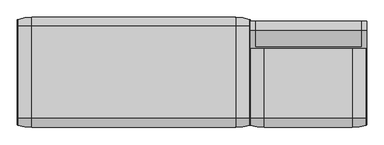
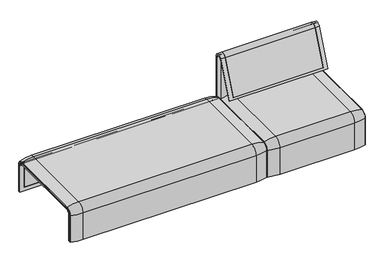
"""IFC4 building model written with IfcOpenShell, lengths in millimetres: furniture geometry."""

from ifc_helpers import new_model, si_unit, point, frame, frame_2d, origin, place, context, project, spatial, polyline, circle_curve, ellipse_curve, trimmed, segment, composite_curve, outline, extrude, source, transform, mapped, element, save
from ifc_brep_helpers import plane_surface, cylinder_surface, revolved_surface, advanced_brep


def furniture_c3b00f52(model_context):
    return source(origin(), model_context, "Body", "SolidModel", [
        advanced_brep(
        [(-1223.9718733, 323.7517936, 359.922434), (-1223.9718733, -323.7517936, 359.922434), (-1223.9718733, -351.0, 332.6742277), (-1223.9718733, -351.0, 100.5089435), (-1223.9718733, -357.5, 100.5089435), (-1223.9718733, -357.5, 333.0583003), (-1223.9718733, -324.3858663, 366.172434), (-1223.9718733, 324.3858663, 366.172434), (-1223.9718733, 357.5, 333.0583003), (-1223.9718733, 357.5, 100.5089435), (-1223.9718733, 351.0, 100.5089435), (-1223.9718733, 351.0, 332.6742277), (407.9906244, 323.7517936, 359.922434), (407.9906244, 351.0, 332.6742277), (407.9906244, 351.0, 100.5089435), (407.9906244, 357.5, 100.5089435), (407.9906244, 357.5, 333.0583003), (407.9906244, 324.3858663, 366.172434), (407.9906244, -324.3858663, 366.172434), (407.9906244, -357.5, 333.0583003), (407.9906244, -357.5, 100.5089435), (407.9906244, -351.0, 100.5089435), (407.9906244, -351.0, 332.6742277), (407.9906244, -323.7517936, 359.922434), (-1189.0718733, -324.3858663, 366.172434), (-1189.0718733, 324.3858663, 366.172434), (373.0906244, 324.3858663, 366.172434), (373.0906244, -324.3858663, 366.172434), (-1189.0718733, -357.5, 333.0583003), (373.0906244, -357.5, 333.0583003), (373.0906244, -357.5, 135.3766997), (-1189.0718733, -357.5, 135.3766997), (-1189.0718733, -351.0, 332.6742277), (-1189.0718733, -351.0, 135.3766997), (373.0906244, -351.0, 135.3766997), (373.0906244, -351.0, 332.6742277), (-1189.0718733, -323.7517936, 359.922434), (373.0906244, -323.7517936, 359.922434), (-1189.0718733, 323.7517936, 359.922434), (373.0906244, 323.7517936, 359.922434), (-1189.0718733, 357.5, 333.0583003), (373.0906244, 357.5, 333.0583003), (-1189.0718733, 357.5, 135.3766997), (373.0906244, 357.5, 135.3766997), (373.0906244, 351.0, 332.6742277), (373.0906244, 351.0, 135.3766997), (-1189.0718733, 351.0, 135.3766997), (-1189.0718733, 351.0, 332.6742277)],
        [
            (0, 1),
            (1, 2, circle_curve(frame((-1223.9718733, -323.7517936, 332.6742277), z_axis=(1.0, 0.0, 0.0), x_axis=(0.0, -1.0, 0.0)), 27.2482064)),
            (2, 3),
            (3, 4),
            (4, 5),
            (5, 6, circle_curve(frame((-1223.9718733, -324.3858663, 333.0583003), z_axis=(-1.0, 0.0, 0.0), x_axis=(0.0, -1.0, 0.0)), 33.1141337)),
            (6, 7),
            (7, 8, circle_curve(frame((-1223.9718733, 324.3858663, 333.0583003), z_axis=(-1.0, 0.0, 0.0), x_axis=(0.0, 1.0, 0.0)), 33.1141337)),
            (8, 9),
            (9, 10),
            (10, 11),
            (11, 0, circle_curve(frame((-1223.9718733, 323.7517936, 332.6742277), z_axis=(1.0, 0.0, 0.0), x_axis=(0.0, 1.0, 0.0)), 27.2482064)),
            (12, 13, circle_curve(frame((407.9906244, 323.7517936, 332.6742277), z_axis=(-1.0, 0.0, 0.0), x_axis=(0.0, 1.0, 0.0)), 27.2482064)),
            (13, 14),
            (14, 15),
            (15, 16),
            (16, 17, circle_curve(frame((407.9906244, 324.3858663, 333.0583003), z_axis=(1.0, 0.0, 0.0), x_axis=(0.0, 1.0, 0.0)), 33.1141337)),
            (17, 18),
            (18, 19, circle_curve(frame((407.9906244, -324.3858663, 333.0583003), z_axis=(1.0, 0.0, 0.0), x_axis=(0.0, -1.0, 0.0)), 33.1141337)),
            (19, 20),
            (20, 21),
            (21, 22),
            (22, 23, circle_curve(frame((407.9906244, -323.7517936, 332.6742277), z_axis=(-1.0, 0.0, 0.0), x_axis=(0.0, -1.0, 0.0)), 27.2482064)),
            (23, 12),
            (6, 24),
            (24, 25),
            (25, 7),
            (17, 26),
            (26, 27),
            (27, 18),
            (5, 28),
            (28, 24, circle_curve(frame((-1189.0718733, -324.3858663, 333.0583003), z_axis=(-1.0, 0.0, 0.0), x_axis=(0.0, -1.0, 0.0)), 33.1141337)),
            (27, 29, circle_curve(frame((373.0906244, -324.3858663, 333.0583003), z_axis=(1.0, 0.0, 0.0), x_axis=(0.0, -1.0, 0.0)), 33.1141337)),
            (29, 19),
            (4, 20),
            (29, 30),
            (30, 31),
            (31, 28),
            (3, 21),
            (2, 32),
            (32, 33),
            (33, 34),
            (34, 35),
            (35, 22),
            (1, 36),
            (36, 32, circle_curve(frame((-1189.0718733, -323.7517936, 332.6742277), z_axis=(1.0, 0.0, 0.0), x_axis=(0.0, -1.0, 0.0)), 27.2482064)),
            (35, 37, circle_curve(frame((373.0906244, -323.7517936, 332.6742277), z_axis=(-1.0, 0.0, 0.0), x_axis=(0.0, -1.0, 0.0)), 27.2482064)),
            (37, 23),
            (0, 38),
            (38, 36),
            (37, 39),
            (39, 12),
            (25, 40, circle_curve(frame((-1189.0718733, 324.3858663, 333.0583003), z_axis=(-1.0, 0.0, 0.0), x_axis=(0.0, 1.0, 0.0)), 33.1141337)),
            (40, 8),
            (16, 41),
            (41, 26, circle_curve(frame((373.0906244, 324.3858663, 333.0583003), z_axis=(1.0, 0.0, 0.0), x_axis=(0.0, 1.0, 0.0)), 33.1141337)),
            (40, 42),
            (42, 43),
            (43, 41),
            (15, 9),
            (14, 10),
            (13, 44),
            (44, 45),
            (45, 46),
            (46, 47),
            (47, 11),
            (47, 38, circle_curve(frame((-1189.0718733, 323.7517936, 332.6742277), z_axis=(1.0, 0.0, 0.0), x_axis=(0.0, 1.0, 0.0)), 27.2482064)),
            (39, 44, circle_curve(frame((373.0906244, 323.7517936, 332.6742277), z_axis=(-1.0, 0.0, 0.0), x_axis=(0.0, 1.0, 0.0)), 27.2482064)),
            (46, 42),
            (31, 33),
            (34, 30),
            (43, 45),
        ],
        [
            plane_surface(frame((-1223.9718733, -296.9265415, 359.922434), z_axis=(-1.0, 0.0, 0.0), x_axis=(0.0, -1.0, 0.0))),
            plane_surface(frame((407.9906244, -296.9265415, 359.922434), z_axis=(1.0, 0.0, 0.0), x_axis=(0.0, 1.0, 0.0))),
            plane_surface(frame((-1223.9718733, -324.3858663, 366.172434), z_axis=(0.0, 0.0, 1.0), x_axis=(1.0, 0.0, 0.0))),
            cylinder_surface(frame((407.9906244, -324.3858663, 333.0583003), z_axis=(-1.0, 0.0, 0.0), x_axis=(0.0, -1.0, 0.0)), 33.1141337),
            plane_surface(frame((-1223.9718733, -357.5, 100.5089435), z_axis=(0.0, -1.0, 0.0), x_axis=(1.0, 0.0, 0.0))),
            plane_surface(frame((-1223.9718733, -351.0, 100.5089435), z_axis=(0.0, 0.0, -1.0), x_axis=(1.0, 0.0, 0.0))),
            plane_surface(frame((-1223.9718733, -351.0, 332.6742277), z_axis=(0.0, 1.0, 0.0), x_axis=(1.0, 0.0, 0.0))),
            revolved_surface(polyline([(-1189.0718733000003, -351.0, 332.6742277), (-1223.9718733, -351.0, 332.6742277)]), (407.9906244, -323.7517936, 332.6742277), (1.0, 0.0, 0.0)),
            revolved_surface(polyline([(407.9906244, -351.0, 332.6742277), (373.0906244, -351.0, 332.6742277)]), (407.9906244, -323.7517936, 332.6742277), (1.0, 0.0, 0.0)),
            plane_surface(frame((-1223.9718733, 323.7517936, 359.922434), z_axis=(0.0, 0.0, -1.0), x_axis=(1.0, 0.0, 0.0))),
            cylinder_surface(frame((407.9906244, 324.3858663, 333.0583003), z_axis=(-1.0, 0.0, 0.0), x_axis=(0.0, 1.0, 0.0)), 33.1141337),
            plane_surface(frame((-1223.9718733, 357.5, 333.0583003), z_axis=(0.0, 1.0, 0.0), x_axis=(1.0, 0.0, 0.0))),
            plane_surface(frame((-1223.9718733, 357.5, 100.5089435), z_axis=(0.0, 0.0, -1.0), x_axis=(1.0, 0.0, 0.0))),
            plane_surface(frame((-1223.9718733, 351.0, 100.5089435), z_axis=(0.0, -1.0, 0.0), x_axis=(1.0, 0.0, 0.0))),
            revolved_surface(polyline([(-1189.0718733000003, 351.0, 332.6742277), (-1223.9718733, 351.0, 332.6742277)]), (407.9906244, 323.7517936, 332.6742277), (1.0, 0.0, 0.0)),
            revolved_surface(polyline([(407.9906244, 351.0, 332.6742277), (373.0906244, 351.0, 332.6742277)]), (407.9906244, 323.7517936, 332.6742277), (1.0, 0.0, 0.0)),
            plane_surface(frame((-1189.0718733, -296.9265415, 359.922434), z_axis=(1.0, 0.0, 0.0), x_axis=(0.0, -1.0, 0.0))),
            plane_surface(frame((373.0906244, -296.9265415, 359.922434), z_axis=(-1.0, 0.0, 0.0), x_axis=(0.0, 1.0, 0.0))),
            plane_surface(frame((-1189.0718733, -351.0, 135.3766997), z_axis=(0.0, 0.0, 1.0), x_axis=(1.0, 0.0, 0.0))),
            plane_surface(frame((-1189.0718733, 357.5, 135.3766997), z_axis=(0.0, 0.0, 1.0), x_axis=(1.0, 0.0, 0.0))),
        ],
        [
            (0, [[1, 2, 3, 4, 5, 6, 7, 8, 9, 10, 11, 12]]),
            (1, [[13, 14, 15, 16, 17, 18, 19, 20, 21, 22, 23, 24]]),
            (2, [[-7, 25, 26, 27]]),
            (2, [[-18, 28, 29, 30]]),
            (3, [[-6, 31, 32, -25]]),
            (3, [[-19, -30, 33, 34]]),
            (4, [[-5, 35, -20, -34, 36, 37, 38, -31]]),
            (5, [[-4, 39, -21, -35]]),
            (6, [[-3, 40, 41, 42, 43, 44, -22, -39]]),
            (7, [[-2, 45, 46, -40]]),
            (8, [[-23, -44, 47, 48]]),
            (9, [[-1, 49, 50, -45]]),
            (9, [[-24, -48, 51, 52]]),
            (10, [[-8, -27, 53, 54]]),
            (10, [[-17, 55, 56, -28]]),
            (11, [[-9, -54, 57, 58, 59, -55, -16, 60]]),
            (12, [[-10, -60, -15, 61]]),
            (13, [[-11, -61, -14, 62, 63, 64, 65, 66]]),
            (14, [[-12, -66, 67, -49]]),
            (15, [[-13, -52, 68, -62]]),
            (16, [[69, -57, -53, -26, -32, -38, 70, -41, -46, -50, -67, -65]]),
            (17, [[71, -36, -33, -29, -56, -59, 72, -63, -68, -51, -47, -43]]),
            (18, [[-70, -37, -71, -42]]),
            (19, [[-69, -64, -72, -58]]),
        ],
    ),
        extrude(outline(composite_curve([segment(polyline([(323.7517936, 359.922434), (-323.7517936, 359.922434)]), True, "CONTINUOUS"), segment(trimmed(circle_curve(frame_2d((-323.7517936, 332.6742277)), 27.2482064), [point((-323.7517936, 359.922434))], [point((-351.0, 332.6742277))], True, "CARTESIAN"), True, "CONTINUOUS"), segment(polyline([(-351.0, 332.6742277), (-351.0, 135.3766997), (-357.5, 135.3766997), (-357.5, 333.0583003)]), True, "CONTINUOUS"), segment(trimmed(circle_curve(frame_2d((-324.3858663, 333.0583003)), 33.1141337), [point((-357.5, 333.0583003))], [point((-324.3858663, 366.172434))], False, "CARTESIAN"), True, "CONTINUOUS"), segment(polyline([(-324.3858663, 366.172434), (324.3858663, 366.172434)]), True, "CONTINUOUS"), segment(trimmed(circle_curve(frame_2d((324.3858663, 333.0583003)), 33.1141337), [point((324.3858663, 366.172434))], [point((357.5, 333.0583003))], False, "CARTESIAN"), True, "CONTINUOUS"), segment(polyline([(357.5, 333.0583003), (357.5, 135.3766997), (351.0, 135.3766997), (351.0, 332.6742277)]), True, "CONTINUOUS"), segment(trimmed(circle_curve(frame_2d((323.7517936, 332.6742277)), 27.2482064), [point((351.0, 332.6742277))], [point((323.7517936, 359.922434))], True, "CARTESIAN"), True, "CONTINUOUS")], self_intersect=False)), frame((-1189.0718733, 0.0, 0.0), z_axis=(1.0, 0.0, 0.0), x_axis=(0.0, 1.0, 0.0)), (0.0, 0.0, 1.0), 1562.1624977),
        advanced_brep(
        [(-1223.9718733, -368.7793679, 100.5089435), (-1223.9718733, -357.5, 100.5089435), (407.9906244, -357.5, 100.5089435), (407.9906244, -368.7793679, 100.5089435), (405.8519959, -371.6530483, 100.5089435), (307.9906244, -386.0043559, 100.5089435), (-1123.9718733, -386.0043559, 100.5089435), (-1221.8332448, -371.6530483, 100.5089435), (-1223.9718733, 368.7793679, 100.5089435), (-1221.8332448, 371.6530483, 100.5089435), (-1123.9718733, 386.0043559, 100.5089435), (307.9906244, 386.0043559, 100.5089435), (405.8519959, 371.6530483, 100.5089435), (407.9906244, 368.7793679, 100.5089435), (407.9906244, 357.5, 100.5089435), (-1223.9718733, 357.5, 100.5089435), (-1223.9718733, -368.7793679, 333.0583003), (-1223.9718733, -324.3858663, 377.4518019), (-1223.9718733, 324.3858663, 377.4518019), (-1223.9718733, 368.7793679, 333.0583003), (-1223.9718733, 357.5, 333.0583003), (-1223.9718733, 324.3858663, 366.172434), (-1223.9718733, -324.3858663, 366.172434), (-1223.9718733, -357.5, 333.0583003), (407.9906244, -357.5, 333.0583003), (307.9906244, -386.0043559, 333.0583003), (-1123.9718733, -386.0043559, 333.0583003), (-1221.8332448, -371.6530483, 333.0583003), (407.9906244, -324.3858663, 366.172434), (-1123.9718733, -324.3858663, 394.67679), (307.9906244, -324.3858663, 394.67679), (-1221.8332448, -324.3858663, 380.3254823), (407.9906244, 324.3858663, 366.172434), (307.9906244, 324.3858663, 394.67679), (-1123.9718733, 324.3858663, 394.67679), (-1221.8332448, 324.3858663, 380.3254823), (407.9906244, 357.5, 333.0583003), (-1123.9718733, 386.0043559, 333.0583003), (307.9906244, 386.0043559, 333.0583003), (-1221.8332448, 371.6530483, 333.0583003), (407.9906244, 368.7793679, 333.0583003), (407.9906244, 324.3858663, 377.4518019), (407.9906244, -324.3858663, 377.4518019), (407.9906244, -368.7793679, 333.0583003), (405.8519959, -371.6530483, 333.0583003), (405.8519959, -324.3858663, 380.3254823), (405.8519959, 324.3858663, 380.3254823), (405.8519959, 371.6530483, 333.0583003)],
        [
            (0, 1),
            (1, 2),
            (2, 3),
            (3, 4, circle_curve(frame((404.9906244, -368.7793679, 100.5089435), z_axis=(0.0, 0.0, -1.0), x_axis=(-1.0, 0.0, 0.0)), 3.0)),
            (4, 5, circle_curve(frame((307.9906244, -45.1710226, 100.5089435), z_axis=(0.0, 0.0, -1.0), x_axis=(0.0, 1.0, 0.0)), 340.8333333)),
            (5, 6),
            (6, 7, circle_curve(frame((-1123.9718733, -45.1710226, 100.5089435), z_axis=(0.0, 0.0, -1.0), x_axis=(0.0, 1.0, 0.0)), 340.8333333)),
            (7, 0, circle_curve(frame((-1220.9718733, -368.7793679, 100.5089435), z_axis=(0.0, 0.0, -1.0), x_axis=(1.0, 0.0, 0.0)), 3.0)),
            (8, 9, circle_curve(frame((-1220.9718733, 368.7793679, 100.5089435), z_axis=(0.0, 0.0, -1.0), x_axis=(1.0, 0.0, 0.0)), 3.0)),
            (9, 10, circle_curve(frame((-1123.9718733, 45.1710226, 100.5089435), z_axis=(0.0, 0.0, -1.0), x_axis=(0.0, -1.0, 0.0)), 340.8333333)),
            (10, 11),
            (11, 12, circle_curve(frame((307.9906244, 45.1710226, 100.5089435), z_axis=(0.0, 0.0, -1.0), x_axis=(0.0, -1.0, 0.0)), 340.8333333)),
            (12, 13, circle_curve(frame((404.9906244, 368.7793679, 100.5089435), z_axis=(0.0, 0.0, -1.0), x_axis=(-1.0, 0.0, 0.0)), 3.0)),
            (13, 14),
            (14, 15),
            (15, 8),
            (0, 16),
            (16, 17, circle_curve(frame((-1223.9718733, -324.3858663, 333.0583003), z_axis=(-1.0, 0.0, 0.0), x_axis=(0.0, -1.0, 0.0)), 44.3935016)),
            (17, 18),
            (18, 19, circle_curve(frame((-1223.9718733, 324.3858663, 333.0583003), z_axis=(-1.0, 0.0, 0.0), x_axis=(0.0, 0.0, 1.0)), 44.3935016)),
            (19, 8),
            (15, 20),
            (20, 21, circle_curve(frame((-1223.9718733, 324.3858663, 333.0583003), z_axis=(1.0, 0.0, 0.0), x_axis=(0.0, 0.0, 1.0)), 33.1141337)),
            (21, 22),
            (22, 23, circle_curve(frame((-1223.9718733, -324.3858663, 333.0583003), z_axis=(1.0, 0.0, 0.0), x_axis=(0.0, -1.0, 0.0)), 33.1141337)),
            (23, 1),
            (23, 24),
            (24, 2),
            (5, 25),
            (25, 26),
            (26, 6),
            (26, 27, circle_curve(frame((-1123.9718733, -45.1710226, 333.0583003), z_axis=(0.0, 0.0, -1.0), x_axis=(0.0, 1.0, 0.0)), 340.8333333)),
            (27, 7),
            (27, 16, circle_curve(frame((-1220.9718733, -368.7793679, 333.0583003), z_axis=(0.0, 0.0, -1.0), x_axis=(1.0, 0.0, 0.0)), 3.0)),
            (28, 24, circle_curve(frame((407.9906244, -324.3858663, 333.0583003), z_axis=(1.0, 0.0, 0.0), x_axis=(0.0, -1.0, 0.0)), 33.1141337)),
            (22, 28),
            (29, 26, circle_curve(frame((-1123.9718733, -324.3858663, 333.0583003), z_axis=(1.0, 0.0, 0.0), x_axis=(0.0, -1.0, 0.0)), 61.6184897)),
            (25, 30, circle_curve(frame((307.9906244, -324.3858663, 333.0583003), z_axis=(-1.0, 0.0, 0.0), x_axis=(0.0, -1.0, 0.0)), 61.6184897)),
            (30, 29),
            (31, 27, circle_curve(frame((-1221.8332448, -324.3858663, 333.0583003), z_axis=(1.0, 0.0, 0.0), x_axis=(0.0, -1.0, 0.0)), 47.267182)),
            (29, 31, circle_curve(frame((-1123.9718733, -324.3858663, 53.8434566), z_axis=(0.0, -1.0, 0.0), x_axis=(0.0, 0.0, -1.0)), 340.8333333)),
            (31, 17, circle_curve(frame((-1220.9718733, -324.3858663, 377.4518019), z_axis=(0.0, -1.0, 0.0), x_axis=(1.0, 0.0, 0.0)), 3.0)),
            (21, 32),
            (32, 28),
            (30, 33),
            (33, 34),
            (34, 29),
            (34, 35, circle_curve(frame((-1123.9718733, 324.3858663, 53.8434566), z_axis=(0.0, -1.0, 0.0), x_axis=(0.0, 0.0, -1.0)), 340.8333333)),
            (35, 31),
            (35, 18, circle_curve(frame((-1220.9718733, 324.3858663, 377.4518019), z_axis=(0.0, -1.0, 0.0), x_axis=(1.0, 0.0, 0.0)), 3.0)),
            (36, 32, circle_curve(frame((407.9906244, 324.3858663, 333.0583003), z_axis=(1.0, 0.0, 0.0), x_axis=(0.0, 0.0, 1.0)), 33.1141337)),
            (20, 36),
            (37, 34, circle_curve(frame((-1123.9718733, 324.3858663, 333.0583003), z_axis=(1.0, 0.0, 0.0), x_axis=(0.0, 0.0, 1.0)), 61.6184897)),
            (33, 38, circle_curve(frame((307.9906244, 324.3858663, 333.0583003), z_axis=(-1.0, 0.0, 0.0), x_axis=(0.0, 0.0, 1.0)), 61.6184897)),
            (38, 37),
            (39, 35, circle_curve(frame((-1221.8332448, 324.3858663, 333.0583003), z_axis=(1.0, 0.0, 0.0), x_axis=(0.0, 0.0, 1.0)), 47.267182)),
            (37, 39, circle_curve(frame((-1123.9718733, 45.1710226, 333.0583003), z_axis=(0.0, 0.0, 1.0), x_axis=(0.0, -1.0, 0.0)), 340.8333333)),
            (39, 19, circle_curve(frame((-1220.9718733, 368.7793679, 333.0583003), z_axis=(0.0, 0.0, 1.0), x_axis=(1.0, 0.0, 0.0)), 3.0)),
            (14, 36),
            (38, 11),
            (10, 37),
            (9, 39),
            (13, 40),
            (40, 41, circle_curve(frame((407.9906244, 324.3858663, 333.0583003), z_axis=(1.0, 0.0, 0.0), x_axis=(0.0, 0.0, 1.0)), 44.3935016)),
            (41, 42),
            (42, 43, circle_curve(frame((407.9906244, -324.3858663, 333.0583003), z_axis=(1.0, 0.0, 0.0), x_axis=(0.0, -1.0, 0.0)), 44.3935016)),
            (43, 3),
            (43, 44, circle_curve(frame((404.9906244, -368.7793679, 333.0583003), z_axis=(0.0, 0.0, -1.0), x_axis=(-1.0, 0.0, 0.0)), 3.0)),
            (44, 4),
            (44, 25, circle_curve(frame((307.9906244, -45.1710226, 333.0583003), z_axis=(0.0, 0.0, -1.0), x_axis=(0.0, 1.0, 0.0)), 340.8333333)),
            (45, 44, circle_curve(frame((405.8519959, -324.3858663, 333.0583003), z_axis=(1.0, 0.0, 0.0), x_axis=(0.0, -1.0, 0.0)), 47.267182)),
            (42, 45, circle_curve(frame((404.9906244, -324.3858663, 377.4518019), z_axis=(0.0, -1.0, 0.0), x_axis=(-1.0, 0.0, 0.0)), 3.0)),
            (45, 30, circle_curve(frame((307.9906244, -324.3858663, 53.8434566), z_axis=(0.0, -1.0, 0.0), x_axis=(0.0, 0.0, -1.0)), 340.8333333)),
            (41, 46, circle_curve(frame((404.9906244, 324.3858663, 377.4518019), z_axis=(0.0, -1.0, 0.0), x_axis=(-1.0, 0.0, 0.0)), 3.0)),
            (46, 45),
            (46, 33, circle_curve(frame((307.9906244, 324.3858663, 53.8434566), z_axis=(0.0, -1.0, 0.0), x_axis=(0.0, 0.0, -1.0)), 340.8333333)),
            (47, 46, circle_curve(frame((405.8519959, 324.3858663, 333.0583003), z_axis=(1.0, 0.0, 0.0), x_axis=(0.0, 0.0, 1.0)), 47.267182)),
            (40, 47, circle_curve(frame((404.9906244, 368.7793679, 333.0583003), z_axis=(0.0, 0.0, 1.0), x_axis=(-1.0, 0.0, 0.0)), 3.0)),
            (47, 38, circle_curve(frame((307.9906244, 45.1710226, 333.0583003), z_axis=(0.0, 0.0, 1.0), x_axis=(0.0, -1.0, 0.0)), 340.8333333)),
            (12, 47),
        ],
        [
            plane_surface(frame((-1223.9718733, -357.5, 100.5089435), z_axis=(0.0, 0.0, -1.0), x_axis=(1.0, 0.0, 0.0))),
            plane_surface(frame((-1223.9718733, 357.5, 100.5089435), z_axis=(0.0, 0.0, -1.0), x_axis=(1.0, 0.0, 0.0))),
            plane_surface(frame((-1223.9718733, -368.7793679, 100.5089435), z_axis=(-1.0, 0.0, 0.0), x_axis=(0.0, 0.0, 1.0))),
            plane_surface(frame((-1223.9718733, -357.5, 100.5089435), z_axis=(0.0, 1.0, 0.0), x_axis=(0.0, 0.0, 1.0))),
            plane_surface(frame((307.9906244, -386.0043559, 100.5089435), z_axis=(0.0, -1.0, 0.0), x_axis=(0.0, 0.0, 1.0))),
            cylinder_surface(frame((-1123.9718733, -45.1710226, 100.5089435), z_axis=(0.0, 0.0, -1.0), x_axis=(0.0, 1.0, 0.0)), 340.8333333),
            cylinder_surface(frame((-1220.9718733, -368.7793679, 100.5089435), z_axis=(0.0, 0.0, -1.0), x_axis=(1.0, 0.0, 0.0)), 3.0),
            revolved_surface(polyline([(-1223.9718733, -357.5, 333.0583003), (407.9906243999999, -357.5, 333.0583003)]), (-1223.9718733, -324.3858663, 333.0583003), (-1.0, 0.0, 0.0)),
            cylinder_surface(frame((-1223.9718733, -324.3858663, 333.0583003), z_axis=(-1.0, 0.0, 0.0), x_axis=(0.0, -1.0, 0.0)), 61.6184897),
            revolved_surface(trimmed(ellipse_curve(frame((-1123.9718733, -45.1710226, 333.0583003), z_axis=(0.0, 0.0, -1.0), x_axis=(0.0, 1.0, 0.0)), 340.8333333, 340.8333333), [point((-1123.9718733, -386.0043559, 333.0583003))], [point((-1221.8332448, -371.6530483, 333.0583003))], True, "CARTESIAN"), (-1223.9718733, -324.3858663, 333.0583003), (-1.0, 0.0, 0.0)),
            revolved_surface(trimmed(ellipse_curve(frame((-1220.9718733, -368.7793679, 333.0583003), z_axis=(0.0, 0.0, -1.0), x_axis=(1.0, 0.0, 0.0)), 3.0, 3.0), [point((-1221.8332448, -371.6530483, 333.0583003))], [point((-1223.9718733, -368.7793679, 333.0583003))], True, "CARTESIAN"), (-1223.9718733, -324.3858663, 333.0583003), (-1.0, 0.0, 0.0)),
            plane_surface(frame((-1223.9718733, -324.3858663, 366.172434), z_axis=(0.0, 0.0, -1.0), x_axis=(0.0, 1.0, 0.0))),
            plane_surface(frame((307.9906244, -324.3858663, 394.67679), z_axis=(0.0, 0.0, 1.0), x_axis=(0.0, 1.0, 0.0))),
            cylinder_surface(frame((-1123.9718733, -324.3858663, 53.8434566), z_axis=(0.0, -1.0, 0.0), x_axis=(0.0, 0.0, -1.0)), 340.8333333),
            cylinder_surface(frame((-1220.9718733, -324.3858663, 377.4518019), z_axis=(0.0, -1.0, 0.0), x_axis=(1.0, 0.0, 0.0)), 3.0),
            revolved_surface(polyline([(-1223.9718733, 324.3858663, 366.17243399999995), (407.9906243999999, 324.3858663, 366.17243399999995)]), (-1223.9718733, 324.3858663, 333.0583003), (-1.0, 0.0, 0.0)),
            cylinder_surface(frame((-1223.9718733, 324.3858663, 333.0583003), z_axis=(-1.0, 0.0, 0.0), x_axis=(0.0, 0.0, 1.0)), 61.6184897),
            revolved_surface(trimmed(ellipse_curve(frame((-1123.9718733, 324.3858663, 53.8434566), z_axis=(0.0, -1.0, 0.0), x_axis=(0.0, 0.0, -1.0)), 340.8333333, 340.8333333), [point((-1123.9718733, 324.3858663, 394.67679))], [point((-1221.8332448, 324.3858663, 380.3254823))], True, "CARTESIAN"), (-1223.9718733, 324.3858663, 333.0583003), (-1.0, 0.0, 0.0)),
            revolved_surface(trimmed(ellipse_curve(frame((-1220.9718733, 324.3858663, 377.4518019), z_axis=(0.0, -1.0, 0.0), x_axis=(1.0, 0.0, 0.0)), 3.0, 3.0), [point((-1221.8332448, 324.3858663, 380.3254823))], [point((-1223.9718733, 324.3858663, 377.4518019))], True, "CARTESIAN"), (-1223.9718733, 324.3858663, 333.0583003), (-1.0, 0.0, 0.0)),
            plane_surface(frame((-1223.9718733, 357.5, 333.0583003), z_axis=(0.0, -1.0, 0.0), x_axis=(0.0, 0.0, -1.0))),
            plane_surface(frame((307.9906244, 386.0043559, 333.0583003), z_axis=(0.0, 1.0, 0.0), x_axis=(0.0, 0.0, -1.0))),
            cylinder_surface(frame((-1123.9718733, 45.1710226, 333.0583003), z_axis=(0.0, 0.0, 1.0), x_axis=(0.0, -1.0, 0.0)), 340.8333333),
            cylinder_surface(frame((-1220.9718733, 368.7793679, 333.0583003), z_axis=(0.0, 0.0, 1.0), x_axis=(1.0, 0.0, 0.0)), 3.0),
            plane_surface(frame((407.9906244, -357.5, 100.5089435), z_axis=(1.0, 0.0, 0.0), x_axis=(0.0, 0.0, 1.0))),
            cylinder_surface(frame((404.9906244, -368.7793679, 100.5089435), z_axis=(0.0, 0.0, -1.0), x_axis=(-1.0, 0.0, 0.0)), 3.0),
            cylinder_surface(frame((307.9906244, -45.1710226, 100.5089435), z_axis=(0.0, 0.0, -1.0), x_axis=(0.0, 1.0, 0.0)), 340.8333333),
            revolved_surface(trimmed(ellipse_curve(frame((404.9906244, -368.7793679, 333.0583003), z_axis=(0.0, 0.0, -1.0), x_axis=(-1.0, 0.0, 0.0)), 3.0, 3.0), [point((407.9906244, -368.7793679, 333.0583003))], [point((405.8519959, -371.6530483, 333.0583003))], True, "CARTESIAN"), (-1223.9718733, -324.3858663, 333.0583003), (-1.0, 0.0, 0.0)),
            revolved_surface(trimmed(ellipse_curve(frame((307.9906244, -45.1710226, 333.0583003), z_axis=(0.0, 0.0, -1.0), x_axis=(0.0, 1.0, 0.0)), 340.8333333, 340.8333333), [point((405.8519959, -371.6530483, 333.0583003))], [point((307.9906244, -386.0043559, 333.0583003))], True, "CARTESIAN"), (-1223.9718733, -324.3858663, 333.0583003), (-1.0, 0.0, 0.0)),
            cylinder_surface(frame((404.9906244, -324.3858663, 377.4518019), z_axis=(0.0, -1.0, 0.0), x_axis=(-1.0, 0.0, 0.0)), 3.0),
            cylinder_surface(frame((307.9906244, -324.3858663, 53.8434566), z_axis=(0.0, -1.0, 0.0), x_axis=(0.0, 0.0, -1.0)), 340.8333333),
            revolved_surface(trimmed(ellipse_curve(frame((404.9906244, 324.3858663, 377.4518019), z_axis=(0.0, -1.0, 0.0), x_axis=(-1.0, 0.0, 0.0)), 3.0, 3.0), [point((407.9906244, 324.3858663, 377.4518019))], [point((405.8519959, 324.3858663, 380.3254823))], True, "CARTESIAN"), (-1223.9718733, 324.3858663, 333.0583003), (-1.0, 0.0, 0.0)),
            revolved_surface(trimmed(ellipse_curve(frame((307.9906244, 324.3858663, 53.8434566), z_axis=(0.0, -1.0, 0.0), x_axis=(0.0, 0.0, -1.0)), 340.8333333, 340.8333333), [point((405.8519959, 324.3858663, 380.3254823))], [point((307.9906244, 324.3858663, 394.67679))], True, "CARTESIAN"), (-1223.9718733, 324.3858663, 333.0583003), (-1.0, 0.0, 0.0)),
            cylinder_surface(frame((404.9906244, 368.7793679, 333.0583003), z_axis=(0.0, 0.0, 1.0), x_axis=(-1.0, 0.0, 0.0)), 3.0),
            cylinder_surface(frame((307.9906244, 45.1710226, 333.0583003), z_axis=(0.0, 0.0, 1.0), x_axis=(0.0, -1.0, 0.0)), 340.8333333),
        ],
        [
            (0, [[1, 2, 3, 4, 5, 6, 7, 8]]),
            (1, [[9, 10, 11, 12, 13, 14, 15, 16]]),
            (2, [[-1, 17, 18, 19, 20, 21, -16, 22, 23, 24, 25, 26]]),
            (3, [[-2, -26, 27, 28]]),
            (4, [[-6, 29, 30, 31]]),
            (5, [[-7, -31, 32, 33]]),
            (6, [[-8, -33, 34, -17]]),
            (7, [[35, -27, -25, 36]]),
            (8, [[37, -30, 38, 39]]),
            (9, [[40, -32, -37, 41]]),
            (10, [[-18, -34, -40, 42]]),
            (11, [[-36, -24, 43, 44]]),
            (12, [[-39, 45, 46, 47]]),
            (13, [[-41, -47, 48, 49]]),
            (14, [[-42, -49, 50, -19]]),
            (15, [[51, -43, -23, 52]]),
            (16, [[53, -46, 54, 55]]),
            (17, [[56, -48, -53, 57]]),
            (18, [[-20, -50, -56, 58]]),
            (19, [[-52, -22, -15, 59]]),
            (20, [[-55, 60, -11, 61]]),
            (21, [[-57, -61, -10, 62]]),
            (22, [[-58, -62, -9, -21]]),
            (23, [[-3, -28, -35, -44, -51, -59, -14, 63, 64, 65, 66, 67]]),
            (24, [[-4, -67, 68, 69]]),
            (25, [[-5, -69, 70, -29]]),
            (26, [[71, -68, -66, 72]]),
            (27, [[-38, -70, -71, 73]]),
            (28, [[-72, -65, 74, 75]]),
            (29, [[-73, -75, 76, -45]]),
            (30, [[77, -74, -64, 78]]),
            (31, [[-54, -76, -77, 79]]),
            (32, [[-78, -63, -13, 80]]),
            (33, [[-79, -80, -12, -60]]),
        ],
    ),
        advanced_brep(
        [(407.9906244, 295.0, 359.922434), (407.9906244, -323.7517936, 359.922434), (407.9906244, -351.0, 332.6742277), (407.9906244, -351.0, 100.5089435), (407.9906244, -357.5, 100.5089435), (407.9906244, -357.5, 333.0583003), (407.9906244, -324.3858663, 366.172434), (407.9906244, 295.0, 366.172434), (1223.9718733, 295.0, 359.922434), (1223.9718733, 295.0, 366.172434), (1223.9718733, -324.3858663, 366.172434), (1223.9718733, -357.5, 333.0583003), (1223.9718733, -357.5, 100.5089435), (1223.9718733, -351.0, 100.5089435), (1223.9718733, -351.0, 332.6742277), (1223.9718733, -323.7517936, 359.922434), (442.8906244, -324.3858663, 366.172434), (442.8906244, 260.0, 366.172434), (1189.0718733, 260.0, 366.172434), (1189.0718733, -324.3858663, 366.172434), (442.8906244, -357.5, 333.0583003), (1189.0718733, -357.5, 333.0583003), (1189.0718733, -357.5, 135.3766997), (442.8906244, -357.5, 135.3766997), (442.8906244, -351.0, 332.6742277), (442.8906244, -351.0, 135.3766997), (1189.0718733, -351.0, 135.3766997), (1189.0718733, -351.0, 332.6742277), (442.8906244, -323.7517936, 359.922434), (1189.0718733, -323.7517936, 359.922434), (1189.0718733, 260.0, 359.922434), (442.8906244, 260.0, 359.922434)],
        [
            (0, 1),
            (1, 2, circle_curve(frame((407.9906244, -323.7517936, 332.6742277), z_axis=(1.0, 0.0, 0.0), x_axis=(0.0, -1.0, 0.0)), 27.2482064)),
            (2, 3),
            (3, 4),
            (4, 5),
            (5, 6, circle_curve(frame((407.9906244, -324.3858663, 333.0583003), z_axis=(-1.0, 0.0, 0.0), x_axis=(0.0, -1.0, 0.0)), 33.1141337)),
            (6, 7),
            (7, 0),
            (8, 9),
            (9, 10),
            (10, 11, circle_curve(frame((1223.9718733, -324.3858663, 333.0583003), z_axis=(1.0, 0.0, 0.0), x_axis=(0.0, -1.0, 0.0)), 33.1141337)),
            (11, 12),
            (12, 13),
            (13, 14),
            (14, 15, circle_curve(frame((1223.9718733, -323.7517936, 332.6742277), z_axis=(-1.0, 0.0, 0.0), x_axis=(0.0, -1.0, 0.0)), 27.2482064)),
            (15, 8),
            (7, 9),
            (8, 0),
            (6, 16),
            (16, 17),
            (17, 18),
            (18, 19),
            (19, 10),
            (5, 20),
            (20, 16, circle_curve(frame((442.8906244, -324.3858663, 333.0583003), z_axis=(-1.0, 0.0, 0.0), x_axis=(0.0, -1.0, 0.0)), 33.1141337)),
            (19, 21, circle_curve(frame((1189.0718733, -324.3858663, 333.0583003), z_axis=(1.0, 0.0, 0.0), x_axis=(0.0, -1.0, 0.0)), 33.1141337)),
            (21, 11),
            (4, 12),
            (21, 22),
            (22, 23),
            (23, 20),
            (3, 13),
            (2, 24),
            (24, 25),
            (25, 26),
            (26, 27),
            (27, 14),
            (1, 28),
            (28, 24, circle_curve(frame((442.8906244, -323.7517936, 332.6742277), z_axis=(1.0, 0.0, 0.0), x_axis=(0.0, -1.0, 0.0)), 27.2482064)),
            (27, 29, circle_curve(frame((1189.0718733, -323.7517936, 332.6742277), z_axis=(-1.0, 0.0, 0.0), x_axis=(0.0, -1.0, 0.0)), 27.2482064)),
            (29, 15),
            (29, 30),
            (30, 31),
            (31, 28),
            (31, 17),
            (23, 25),
            (26, 22),
            (18, 30),
        ],
        [
            plane_surface(frame((407.9906244, -296.9265415, 359.922434), z_axis=(-1.0, 0.0, 0.0), x_axis=(0.0, -1.0, 0.0))),
            plane_surface(frame((1223.9718733, -296.9265415, 359.922434), z_axis=(1.0, 0.0, 0.0), x_axis=(0.0, 1.0, 0.0))),
            plane_surface(frame((407.9906244, 295.0, 366.172434), z_axis=(0.0, 1.0, 0.0), x_axis=(1.0, 0.0, 0.0))),
            plane_surface(frame((407.9906244, -324.3858663, 366.172434), z_axis=(0.0, 0.0, 1.0), x_axis=(1.0, 0.0, 0.0))),
            cylinder_surface(frame((1223.9718733, -324.3858663, 333.0583003), z_axis=(-1.0, 0.0, 0.0), x_axis=(0.0, -1.0, 0.0)), 33.1141337),
            plane_surface(frame((407.9906244, -357.5, 100.5089435), z_axis=(0.0, -1.0, 0.0), x_axis=(1.0, 0.0, 0.0))),
            plane_surface(frame((407.9906244, -351.0, 100.5089435), z_axis=(0.0, 0.0, -1.0), x_axis=(1.0, 0.0, 0.0))),
            plane_surface(frame((407.9906244, -351.0, 332.6742277), z_axis=(0.0, 1.0, 0.0), x_axis=(1.0, 0.0, 0.0))),
            revolved_surface(polyline([(442.8906244, -351.0, 332.6742277), (407.9906244, -351.0, 332.6742277)]), (1223.9718733, -323.7517936, 332.6742277), (1.0, 0.0, 0.0)),
            revolved_surface(polyline([(1223.9718733, -351.0, 332.6742277), (1189.0718733, -351.0, 332.6742277)]), (1223.9718733, -323.7517936, 332.6742277), (1.0, 0.0, 0.0)),
            plane_surface(frame((407.9906244, 295.0, 359.922434), z_axis=(0.0, 0.0, -1.0), x_axis=(1.0, 0.0, 0.0))),
            plane_surface(frame((442.8906244, -296.9265415, 359.922434), z_axis=(1.0, 0.0, 0.0), x_axis=(0.0, -1.0, 0.0))),
            plane_surface(frame((1189.0718733, -296.9265415, 359.922434), z_axis=(-1.0, 0.0, 0.0), x_axis=(0.0, 1.0, 0.0))),
            plane_surface(frame((442.8906244, 260.0, 366.172434), z_axis=(0.0, -1.0, 0.0), x_axis=(1.0, 0.0, 0.0))),
            plane_surface(frame((442.8906244, -351.0, 135.3766997), z_axis=(0.0, 0.0, 1.0), x_axis=(1.0, 0.0, 0.0))),
        ],
        [
            (0, [[1, 2, 3, 4, 5, 6, 7, 8]]),
            (1, [[9, 10, 11, 12, 13, 14, 15, 16]]),
            (2, [[-8, 17, -9, 18]]),
            (3, [[-7, 19, 20, 21, 22, 23, -10, -17]]),
            (4, [[-6, 24, 25, -19]]),
            (4, [[-11, -23, 26, 27]]),
            (5, [[-5, 28, -12, -27, 29, 30, 31, -24]]),
            (6, [[-4, 32, -13, -28]]),
            (7, [[-3, 33, 34, 35, 36, 37, -14, -32]]),
            (8, [[-2, 38, 39, -33]]),
            (9, [[-15, -37, 40, 41]]),
            (10, [[-1, -18, -16, -41, 42, 43, 44, -38]]),
            (11, [[45, -20, -25, -31, 46, -34, -39, -44]]),
            (12, [[47, -29, -26, -22, 48, -42, -40, -36]]),
            (13, [[-45, -43, -48, -21]]),
            (14, [[-46, -30, -47, -35]]),
        ],
    ),
        extrude(outline(composite_curve([segment(polyline([(260.0, 359.922434), (-323.7517936, 359.922434)]), True, "CONTINUOUS"), segment(trimmed(circle_curve(frame_2d((-323.7517936, 332.6742277)), 27.2482064), [point((-323.7517936, 359.922434))], [point((-351.0, 332.6742277))], True, "CARTESIAN"), True, "CONTINUOUS"), segment(polyline([(-351.0, 332.6742277), (-351.0, 135.3766997), (-357.5, 135.3766997), (-357.5, 333.0583003)]), True, "CONTINUOUS"), segment(trimmed(circle_curve(frame_2d((-324.3858663, 333.0583003)), 33.1141337), [point((-357.5, 333.0583003))], [point((-324.3858663, 366.172434))], False, "CARTESIAN"), True, "CONTINUOUS"), segment(polyline([(-324.3858663, 366.172434), (260.0, 366.172434), (260.0, 359.922434)]), True, "CONTINUOUS")], self_intersect=False)), frame((442.8906244, 0.0, 0.0), z_axis=(1.0, 0.0, 0.0), x_axis=(0.0, 1.0, 0.0)), (0.0, 0.0, 1.0), 746.1812488),
        advanced_brep(
        [(407.9906244, -368.7793679, 100.5089435), (407.9906244, -357.5, 100.5089435), (1223.9718733, -357.5, 100.5089435), (1223.9718733, -368.7793679, 100.5089435), (1221.8332448, -371.6530483, 100.5089435), (1123.9718733, -386.0043559, 100.5089435), (507.9906244, -386.0043559, 100.5089435), (410.1292529, -371.6530483, 100.5089435), (407.9906244, 295.0, 377.4518019), (410.1292529, 295.0, 380.3254823), (507.9906244, 295.0, 394.67679), (1123.9718733, 295.0, 394.67679), (1221.8332448, 295.0, 380.3254823), (1223.9718733, 295.0, 377.4518019), (1223.9718733, 295.0, 366.172434), (407.9906244, 295.0, 366.172434), (407.9906244, -368.7793679, 333.0583003), (407.9906244, -324.3858663, 377.4518019), (407.9906244, -324.3858663, 366.172434), (407.9906244, -357.5, 333.0583003), (1223.9718733, -357.5, 333.0583003), (1123.9718733, -386.0043559, 333.0583003), (507.9906244, -386.0043559, 333.0583003), (410.1292529, -371.6530483, 333.0583003), (1223.9718733, -324.3858663, 366.172434), (507.9906244, -324.3858663, 394.67679), (1123.9718733, -324.3858663, 394.67679), (410.1292529, -324.3858663, 380.3254823), (1223.9718733, -324.3858663, 377.4518019), (1223.9718733, -368.7793679, 333.0583003), (1221.8332448, -371.6530483, 333.0583003), (1221.8332448, -324.3858663, 380.3254823)],
        [
            (0, 1),
            (1, 2),
            (2, 3),
            (3, 4, circle_curve(frame((1220.9718733, -368.7793679, 100.5089435), z_axis=(0.0, 0.0, -1.0), x_axis=(-1.0, 0.0, 0.0)), 3.0)),
            (4, 5, circle_curve(frame((1123.9718733, -45.1710226, 100.5089435), z_axis=(0.0, 0.0, -1.0), x_axis=(0.0, 1.0, 0.0)), 340.8333333)),
            (5, 6),
            (6, 7, circle_curve(frame((507.9906244, -45.1710226, 100.5089435), z_axis=(0.0, 0.0, -1.0), x_axis=(0.0, 1.0, 0.0)), 340.8333333)),
            (7, 0, circle_curve(frame((410.9906244, -368.7793679, 100.5089435), z_axis=(0.0, 0.0, -1.0), x_axis=(1.0, 0.0, 0.0)), 3.0)),
            (8, 9, circle_curve(frame((410.9906244, 295.0, 377.4518019), z_axis=(0.0, 1.0, 0.0), x_axis=(1.0, 0.0, 0.0)), 3.0)),
            (9, 10, circle_curve(frame((507.9906244, 295.0, 53.8434566), z_axis=(0.0, 1.0, 0.0), x_axis=(0.0, 0.0, -1.0)), 340.8333333)),
            (10, 11),
            (11, 12, circle_curve(frame((1123.9718733, 295.0, 53.8434566), z_axis=(0.0, 1.0, 0.0), x_axis=(0.0, 0.0, -1.0)), 340.8333333)),
            (12, 13, circle_curve(frame((1220.9718733, 295.0, 377.4518019), z_axis=(0.0, 1.0, 0.0), x_axis=(-1.0, 0.0, 0.0)), 3.0)),
            (13, 14),
            (14, 15),
            (15, 8),
            (0, 16),
            (16, 17, circle_curve(frame((407.9906244, -324.3858663, 333.0583003), z_axis=(-1.0, 0.0, 0.0), x_axis=(0.0, -1.0, 0.0)), 44.3935016)),
            (17, 8),
            (15, 18),
            (18, 19, circle_curve(frame((407.9906244, -324.3858663, 333.0583003), z_axis=(1.0, 0.0, 0.0), x_axis=(0.0, -1.0, 0.0)), 33.1141337)),
            (19, 1),
            (19, 20),
            (20, 2),
            (5, 21),
            (21, 22),
            (22, 6),
            (22, 23, circle_curve(frame((507.9906244, -45.1710226, 333.0583003), z_axis=(0.0, 0.0, -1.0), x_axis=(0.0, 1.0, 0.0)), 340.8333333)),
            (23, 7),
            (23, 16, circle_curve(frame((410.9906244, -368.7793679, 333.0583003), z_axis=(0.0, 0.0, -1.0), x_axis=(1.0, 0.0, 0.0)), 3.0)),
            (24, 20, circle_curve(frame((1223.9718733, -324.3858663, 333.0583003), z_axis=(1.0, 0.0, 0.0), x_axis=(0.0, -1.0, 0.0)), 33.1141337)),
            (18, 24),
            (25, 22, circle_curve(frame((507.9906244, -324.3858663, 333.0583003), z_axis=(1.0, 0.0, 0.0), x_axis=(0.0, -1.0, 0.0)), 61.6184897)),
            (21, 26, circle_curve(frame((1123.9718733, -324.3858663, 333.0583003), z_axis=(-1.0, 0.0, 0.0), x_axis=(0.0, -1.0, 0.0)), 61.6184897)),
            (26, 25),
            (27, 23, circle_curve(frame((410.1292529, -324.3858663, 333.0583003), z_axis=(1.0, 0.0, 0.0), x_axis=(0.0, -1.0, 0.0)), 47.267182)),
            (25, 27, circle_curve(frame((507.9906244, -324.3858663, 53.8434566), z_axis=(0.0, -1.0, 0.0), x_axis=(0.0, 0.0, -1.0)), 340.8333333)),
            (27, 17, circle_curve(frame((410.9906244, -324.3858663, 377.4518019), z_axis=(0.0, -1.0, 0.0), x_axis=(1.0, 0.0, 0.0)), 3.0)),
            (14, 24),
            (26, 11),
            (10, 25),
            (9, 27),
            (13, 28),
            (28, 29, circle_curve(frame((1223.9718733, -324.3858663, 333.0583003), z_axis=(1.0, 0.0, 0.0), x_axis=(0.0, -1.0, 0.0)), 44.3935016)),
            (29, 3),
            (29, 30, circle_curve(frame((1220.9718733, -368.7793679, 333.0583003), z_axis=(0.0, 0.0, -1.0), x_axis=(-1.0, 0.0, 0.0)), 3.0)),
            (30, 4),
            (30, 21, circle_curve(frame((1123.9718733, -45.1710226, 333.0583003), z_axis=(0.0, 0.0, -1.0), x_axis=(0.0, 1.0, 0.0)), 340.8333333)),
            (31, 30, circle_curve(frame((1221.8332448, -324.3858663, 333.0583003), z_axis=(1.0, 0.0, 0.0), x_axis=(0.0, -1.0, 0.0)), 47.267182)),
            (28, 31, circle_curve(frame((1220.9718733, -324.3858663, 377.4518019), z_axis=(0.0, -1.0, 0.0), x_axis=(-1.0, 0.0, 0.0)), 3.0)),
            (31, 26, circle_curve(frame((1123.9718733, -324.3858663, 53.8434566), z_axis=(0.0, -1.0, 0.0), x_axis=(0.0, 0.0, -1.0)), 340.8333333)),
            (12, 31),
        ],
        [
            plane_surface(frame((407.9906244, -357.5, 100.5089435), z_axis=(0.0, 0.0, -1.0), x_axis=(1.0, 0.0, 0.0))),
            plane_surface(frame((407.9906244, 295.0, 366.172434), z_axis=(0.0, 1.0, 0.0), x_axis=(1.0, 0.0, 0.0))),
            plane_surface(frame((407.9906244, -368.7793679, 100.5089435), z_axis=(-1.0, 0.0, 0.0), x_axis=(0.0, 0.0, 1.0))),
            plane_surface(frame((407.9906244, -357.5, 100.5089435), z_axis=(0.0, 1.0, 0.0), x_axis=(0.0, 0.0, 1.0))),
            plane_surface(frame((1123.9718733, -386.0043559, 100.5089435), z_axis=(0.0, -1.0, 0.0), x_axis=(0.0, 0.0, 1.0))),
            cylinder_surface(frame((507.9906244, -45.1710226, 100.5089435), z_axis=(0.0, 0.0, -1.0), x_axis=(0.0, 1.0, 0.0)), 340.8333333),
            cylinder_surface(frame((410.9906244, -368.7793679, 100.5089435), z_axis=(0.0, 0.0, -1.0), x_axis=(1.0, 0.0, 0.0)), 3.0),
            revolved_surface(polyline([(407.9906244, -357.5, 333.0583003), (1223.9718733, -357.5, 333.0583003)]), (407.9906244, -324.3858663, 333.0583003), (-1.0, 0.0, 0.0)),
            cylinder_surface(frame((407.9906244, -324.3858663, 333.0583003), z_axis=(-1.0, 0.0, 0.0), x_axis=(0.0, -1.0, 0.0)), 61.6184897),
            revolved_surface(trimmed(ellipse_curve(frame((507.9906244, -45.1710226, 333.0583003), z_axis=(0.0, 0.0, -1.0), x_axis=(0.0, 1.0, 0.0)), 340.8333333, 340.8333333), [point((507.9906244, -386.0043559, 333.0583003))], [point((410.1292529, -371.6530483, 333.0583003))], True, "CARTESIAN"), (407.9906244, -324.3858663, 333.0583003), (-1.0, 0.0, 0.0)),
            revolved_surface(trimmed(ellipse_curve(frame((410.9906244, -368.7793679, 333.0583003), z_axis=(0.0, 0.0, -1.0), x_axis=(1.0, 0.0, 0.0)), 3.0, 3.0), [point((410.1292529, -371.6530483, 333.0583003))], [point((407.9906244, -368.7793679, 333.0583003))], True, "CARTESIAN"), (407.9906244, -324.3858663, 333.0583003), (-1.0, 0.0, 0.0)),
            plane_surface(frame((407.9906244, -324.3858663, 366.172434), z_axis=(0.0, 0.0, -1.0), x_axis=(0.0, 1.0, 0.0))),
            plane_surface(frame((1123.9718733, -324.3858663, 394.67679), z_axis=(0.0, 0.0, 1.0), x_axis=(0.0, 1.0, 0.0))),
            cylinder_surface(frame((507.9906244, -324.3858663, 53.8434566), z_axis=(0.0, -1.0, 0.0), x_axis=(0.0, 0.0, -1.0)), 340.8333333),
            cylinder_surface(frame((410.9906244, -324.3858663, 377.4518019), z_axis=(0.0, -1.0, 0.0), x_axis=(1.0, 0.0, 0.0)), 3.0),
            plane_surface(frame((1223.9718733, -357.5, 100.5089435), z_axis=(1.0, 0.0, 0.0), x_axis=(0.0, 0.0, 1.0))),
            cylinder_surface(frame((1220.9718733, -368.7793679, 100.5089435), z_axis=(0.0, 0.0, -1.0), x_axis=(-1.0, 0.0, 0.0)), 3.0),
            cylinder_surface(frame((1123.9718733, -45.1710226, 100.5089435), z_axis=(0.0, 0.0, -1.0), x_axis=(0.0, 1.0, 0.0)), 340.8333333),
            revolved_surface(trimmed(ellipse_curve(frame((1220.9718733, -368.7793679, 333.0583003), z_axis=(0.0, 0.0, -1.0), x_axis=(-1.0, 0.0, 0.0)), 3.0, 3.0), [point((1223.9718733, -368.7793679, 333.0583003))], [point((1221.8332448, -371.6530483, 333.0583003))], True, "CARTESIAN"), (407.9906244, -324.3858663, 333.0583003), (-1.0, 0.0, 0.0)),
            revolved_surface(trimmed(ellipse_curve(frame((1123.9718733, -45.1710226, 333.0583003), z_axis=(0.0, 0.0, -1.0), x_axis=(0.0, 1.0, 0.0)), 340.8333333, 340.8333333), [point((1221.8332448, -371.6530483, 333.0583003))], [point((1123.9718733, -386.0043559, 333.0583003))], True, "CARTESIAN"), (407.9906244, -324.3858663, 333.0583003), (-1.0, 0.0, 0.0)),
            cylinder_surface(frame((1220.9718733, -324.3858663, 377.4518019), z_axis=(0.0, -1.0, 0.0), x_axis=(-1.0, 0.0, 0.0)), 3.0),
            cylinder_surface(frame((1123.9718733, -324.3858663, 53.8434566), z_axis=(0.0, -1.0, 0.0), x_axis=(0.0, 0.0, -1.0)), 340.8333333),
        ],
        [
            (0, [[1, 2, 3, 4, 5, 6, 7, 8]]),
            (1, [[9, 10, 11, 12, 13, 14, 15, 16]]),
            (2, [[-1, 17, 18, 19, -16, 20, 21, 22]]),
            (3, [[-2, -22, 23, 24]]),
            (4, [[-6, 25, 26, 27]]),
            (5, [[-7, -27, 28, 29]]),
            (6, [[-8, -29, 30, -17]]),
            (7, [[31, -23, -21, 32]]),
            (8, [[33, -26, 34, 35]]),
            (9, [[36, -28, -33, 37]]),
            (10, [[-18, -30, -36, 38]]),
            (11, [[-32, -20, -15, 39]]),
            (12, [[-35, 40, -11, 41]]),
            (13, [[-37, -41, -10, 42]]),
            (14, [[-38, -42, -9, -19]]),
            (15, [[-3, -24, -31, -39, -14, 43, 44, 45]]),
            (16, [[-4, -45, 46, 47]]),
            (17, [[-5, -47, 48, -25]]),
            (18, [[49, -46, -44, 50]]),
            (19, [[-34, -48, -49, 51]]),
            (20, [[-50, -43, -13, 52]]),
            (21, [[-51, -52, -12, -40]]),
        ],
    ),
        advanced_brep(
        [(1223.9884174, 351.0000061, 101.8476716), (1223.9884174, 359.7858817, 101.8476716), (1223.9884174, 359.7858817, 720.3417731), (1223.9884174, 292.4403877, 733.7122262), (1223.9884174, 170.1966807, 437.98305), (1223.9884174, 175.0204081, 435.9866665), (1223.9884174, 296.2458652, 723.9869215), (1223.9884174, 351.0000061, 712.9272623), (408.0071685, 351.0000061, 101.8476716), (408.0071685, 351.0000061, 712.9272623), (408.0071685, 296.2720241, 723.9759107), (408.0071685, 175.0204081, 435.9866665), (408.0071685, 170.1966807, 437.98305), (408.0071685, 292.4403877, 733.7122262), (408.0071685, 359.7858817, 720.3417731), (408.0071685, 359.7858817, 101.8476716), (1189.0718733, 292.4403877, 733.7122262), (1189.0718733, 176.0980387, 452.25948), (442.8906244, 176.0980387, 452.25948), (442.8906244, 292.4403877, 733.7122262), (442.8906244, 296.2458652, 723.9869215), (442.8906244, 181.0136548, 450.2250668), (1189.0718733, 181.0136548, 450.2250668), (1189.0718733, 296.2458652, 723.9869215), (1189.0718733, 351.0000061, 712.9272623), (1189.0718733, 351.0000061, 135.3766997), (442.8906244, 351.0000061, 135.3766997), (442.8906244, 351.0000061, 712.9272623), (442.8906244, 359.7858817, 720.3417731), (442.8906244, 359.7858817, 135.3766997), (1189.0718733, 359.7858817, 135.3766997), (1189.0718733, 359.7858817, 720.3417731)],
        [
            (0, 1),
            (1, 2),
            (2, 3, circle_curve(frame((1223.9884174, 324.7858817, 720.3417731), z_axis=(1.0, 0.0, 0.0), x_axis=(0.0, -1.0, 0.0)), 35.0)),
            (3, 4),
            (4, 5),
            (5, 6),
            (6, 7, circle_curve(frame((1223.9884174, 322.520748, 712.9272623), z_axis=(-1.0, 0.0, 0.0), x_axis=(0.0, -1.0, 0.0)), 28.479258)),
            (7, 0),
            (8, 9),
            (9, 10, circle_curve(frame((408.0071685, 322.520748, 712.9272623), z_axis=(1.0, 0.0, 0.0), x_axis=(0.0, -1.0, 0.0)), 28.479258)),
            (10, 11),
            (11, 12),
            (12, 13),
            (13, 14, circle_curve(frame((408.0071685, 324.7858817, 720.3417731), z_axis=(-1.0, 0.0, 0.0), x_axis=(0.0, -1.0, 0.0)), 35.0)),
            (14, 15),
            (15, 8),
            (3, 16),
            (16, 17),
            (17, 18),
            (18, 19),
            (19, 13),
            (12, 4),
            (11, 5),
            (10, 20),
            (20, 21),
            (21, 22),
            (22, 23),
            (23, 6),
            (7, 24),
            (24, 25),
            (25, 26),
            (26, 27),
            (27, 9),
            (8, 0),
            (15, 1),
            (14, 28),
            (28, 29),
            (29, 30),
            (30, 31),
            (31, 2),
            (31, 16, circle_curve(frame((1189.0718733, 324.7858817, 720.3417731), z_axis=(1.0, 0.0, 0.0), x_axis=(0.0, -1.0, 0.0)), 35.0)),
            (19, 28, circle_curve(frame((442.8906244, 324.7858817, 720.3417731), z_axis=(-1.0, 0.0, 0.0), x_axis=(0.0, -1.0, 0.0)), 35.0)),
            (23, 24, circle_curve(frame((1189.0718733, 322.520748, 712.9272623), z_axis=(-1.0, 0.0, 0.0), x_axis=(0.0, -1.0, 0.0)), 28.479258)),
            (27, 20, circle_curve(frame((442.8906244, 322.520748, 712.9272623), z_axis=(1.0, 0.0, 0.0), x_axis=(0.0, -1.0, 0.0)), 28.479258)),
            (22, 17),
            (30, 25),
            (26, 29),
            (18, 21),
        ],
        [
            plane_surface(frame((1223.9884174, 359.7858817, 101.8476716), z_axis=(1.0, 0.0, 0.0), x_axis=(0.0, 1.0, 0.0))),
            plane_surface(frame((408.0071685, 359.7858817, 101.8476716), z_axis=(-1.0, 0.0, 0.0), x_axis=(0.0, -1.0, 0.0))),
            plane_surface(frame((1223.9884174, 292.4403877, 733.7122262), z_axis=(0.0, -0.9241569717933176, 0.3820129467515535), x_axis=(-1.0, 0.0, 0.0))),
            plane_surface(frame((1223.9884174, 170.1966807, 437.98305), z_axis=(0.0, -0.38241039441983893, -0.9239925812687368), x_axis=(-1.0, 0.0, 0.0))),
            plane_surface(frame((1223.9884174, 175.0204081, 435.9866665), z_axis=(0.0, 0.921678643444566, -0.3879542218073993), x_axis=(-1.0, 0.0, 0.0))),
            plane_surface(frame((1223.9884174, 351.0000061, 712.9272623), z_axis=(0.0, -1.0, 0.0), x_axis=(-1.0, 0.0, 0.0))),
            plane_surface(frame((1223.9884174, 351.0000061, 101.8476716), z_axis=(0.0, 0.0, -1.0), x_axis=(-1.0, 0.0, 0.0))),
            plane_surface(frame((1223.9884174, 359.7858817, 101.8476716), z_axis=(0.0, 1.0, 0.0), x_axis=(-1.0, 0.0, 0.0))),
            cylinder_surface(frame((408.0071685, 324.7858817, 720.3417731), z_axis=(1.0, 0.0, 0.0), x_axis=(0.0, -1.0, 0.0)), 35.0),
            revolved_surface(polyline([(1189.0718733, 294.04149, 712.9272623), (1223.9884174, 294.04149, 712.9272623)]), (408.0071685, 322.520748, 712.9272623), (-1.0, 0.0, 0.0)),
            revolved_surface(polyline([(408.0071685, 294.04149, 712.9272623), (442.8906244, 294.04149, 712.9272623)]), (408.0071685, 322.520748, 712.9272623), (-1.0, 0.0, 0.0)),
            plane_surface(frame((1189.0718733, 359.7858817, 135.3766997), z_axis=(-1.0, 0.0, 0.0), x_axis=(0.0, 1.0, 0.0))),
            plane_surface(frame((442.8906244, 359.7858817, 135.3766997), z_axis=(1.0, 0.0, 0.0), x_axis=(0.0, -1.0, 0.0))),
            plane_surface(frame((1189.0718733, 166.9120641, 456.0612553), z_axis=(0.0, 0.38241039441982605, 0.9239925812687422), x_axis=(-1.0, 0.0, 0.0))),
            plane_surface(frame((1189.0718733, 344.7858817, 135.3766997), z_axis=(0.0, 0.0, 1.0), x_axis=(-1.0, 0.0, 0.0))),
        ],
        [
            (0, [[1, 2, 3, 4, 5, 6, 7, 8]]),
            (1, [[9, 10, 11, 12, 13, 14, 15, 16]]),
            (2, [[-4, 17, 18, 19, 20, 21, -13, 22]]),
            (3, [[-5, -22, -12, 23]]),
            (4, [[-6, -23, -11, 24, 25, 26, 27, 28]]),
            (5, [[-8, 29, 30, 31, 32, 33, -9, 34]]),
            (6, [[-1, -34, -16, 35]]),
            (7, [[-2, -35, -15, 36, 37, 38, 39, 40]]),
            (8, [[-3, -40, 41, -17]]),
            (8, [[-14, -21, 42, -36]]),
            (9, [[-7, -28, 43, -29]]),
            (10, [[-10, -33, 44, -24]]),
            (11, [[45, -18, -41, -39, 46, -30, -43, -27]]),
            (12, [[47, -37, -42, -20, 48, -25, -44, -32]]),
            (13, [[-45, -26, -48, -19]]),
            (14, [[-46, -38, -47, -31]]),
        ],
    ),
        advanced_brep(
        [(1189.0718733, 351.0000061, 135.3766997), (1189.0718733, 359.7858817, 135.3766997), (1189.0718733, 359.7858817, 720.3417731), (1189.0718733, 292.4403877, 733.7122262), (1189.0718733, 176.0980387, 452.25948), (1189.0718733, 181.0136548, 450.2250668), (1189.0718733, 296.2458652, 723.9869215), (1189.0718733, 351.0000061, 712.9272623), (442.8906244, 351.0000061, 135.3766997), (442.8906244, 351.0000061, 712.9272623), (442.8906244, 296.2720241, 723.9759107), (442.8906244, 181.0136548, 450.2250668), (442.8906244, 176.0980387, 452.25948), (442.8906244, 292.4403877, 733.7122262), (442.8906244, 359.7858817, 720.3417731), (442.8906244, 359.7858817, 135.3766997)],
        [
            (0, 1),
            (1, 2),
            (2, 3, circle_curve(frame((1189.0718733, 324.7858817, 720.3417731), z_axis=(1.0, 0.0, 0.0), x_axis=(0.0, -1.0, 0.0)), 35.0)),
            (3, 4),
            (4, 5),
            (5, 6),
            (6, 7, circle_curve(frame((1189.0718733, 322.520748, 712.9272623), z_axis=(-1.0, 0.0, 0.0), x_axis=(0.0, -1.0, 0.0)), 28.479258)),
            (7, 0),
            (8, 9),
            (9, 10, circle_curve(frame((442.8906244, 322.520748, 712.9272623), z_axis=(1.0, 0.0, 0.0), x_axis=(0.0, -1.0, 0.0)), 28.479258)),
            (10, 11),
            (11, 12),
            (12, 13),
            (13, 14, circle_curve(frame((442.8906244, 324.7858817, 720.3417731), z_axis=(-1.0, 0.0, 0.0), x_axis=(0.0, -1.0, 0.0)), 35.0)),
            (14, 15),
            (15, 8),
            (3, 13),
            (12, 4),
            (11, 5),
            (10, 6),
            (7, 9),
            (8, 0),
            (15, 1),
            (14, 2),
        ],
        [
            plane_surface(frame((1189.0718733, 359.7858817, 135.3766997), z_axis=(1.0, 0.0, 0.0), x_axis=(0.0, 1.0, 0.0))),
            plane_surface(frame((442.8906244, 359.7858817, 135.3766997), z_axis=(-1.0, 0.0, 0.0), x_axis=(0.0, -1.0, 0.0))),
            plane_surface(frame((1189.0718733, 292.4403877, 733.7122262), z_axis=(0.0, -0.9241569717933176, 0.3820129467515535), x_axis=(-1.0, 0.0, 0.0))),
            plane_surface(frame((1189.0718733, 176.0980387, 452.25948), z_axis=(0.0, -0.38241039441982716, -0.9239925812687417), x_axis=(-1.0, 0.0, 0.0))),
            plane_surface(frame((1189.0718733, 181.0136548, 450.2250668), z_axis=(0.0, 0.921678643444566, -0.3879542218073993), x_axis=(-1.0, 0.0, 0.0))),
            plane_surface(frame((1189.0718733, 351.0000061, 712.9272623), z_axis=(0.0, -1.0, 0.0), x_axis=(-1.0, 0.0, 0.0))),
            plane_surface(frame((1189.0718733, 351.0000061, 135.3766997), z_axis=(0.0, 0.0, -1.0), x_axis=(-1.0, 0.0, 0.0))),
            plane_surface(frame((1189.0718733, 359.7858817, 135.3766997), z_axis=(0.0, 1.0, 0.0), x_axis=(-1.0, 0.0, 0.0))),
            cylinder_surface(frame((442.8906244, 324.7858817, 720.3417731), z_axis=(1.0, 0.0, 0.0), x_axis=(0.0, -1.0, 0.0)), 35.0),
            revolved_surface(polyline([(442.8906244, 294.04149, 712.9272623), (1189.0718733, 294.04149, 712.9272623)]), (442.8906244, 322.520748, 712.9272623), (-1.0, 0.0, 0.0)),
        ],
        [
            (0, [[1, 2, 3, 4, 5, 6, 7, 8]]),
            (1, [[9, 10, 11, 12, 13, 14, 15, 16]]),
            (2, [[-4, 17, -13, 18]]),
            (3, [[-5, -18, -12, 19]]),
            (4, [[-6, -19, -11, 20]]),
            (5, [[-8, 21, -9, 22]]),
            (6, [[-1, -22, -16, 23]]),
            (7, [[-2, -23, -15, 24]]),
            (8, [[-3, -24, -14, -17]]),
            (9, [[-7, -20, -10, -21]]),
        ],
    ),
    ])


if __name__ == "__main__":
    model = new_model("IFC4")
    model_context = context("Model", 3, world=origin())
    ifc_project = project(units=[si_unit("LENGTHUNIT", "METRE", prefix="MILLI")], contexts=[model_context])
    site = spatial("IfcSite", under=ifc_project)
    building = spatial("IfcBuilding", under=site)
    placement = place(None, origin())
    furniture_shape = furniture_c3b00f52(model_context)
    element("IfcFurniture", 1, at=placement, inside=building, context=model_context, shape_type="MappedRepresentation", body=[
        mapped(furniture_shape, transform((0.0, 0.0, 0.0), x_axis=(1.0, 0.0, 0.0), y_axis=(0.0, 1.0, 0.0), z_axis=(0.0, 0.0, 1.0))),
    ])
    save(model, "model.ifc")
